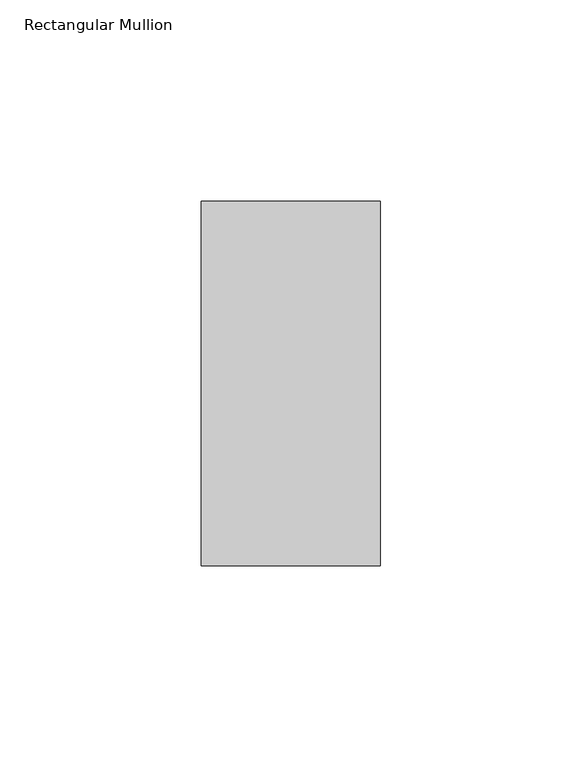
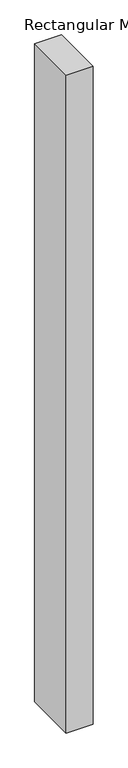
"""IFC4 building model written with IfcOpenShell, lengths in millimetres: member geometry, Rectangular Mullion."""

from ifc_helpers import new_model, si_unit, frame, origin, place, context, project, spatial, polyline, outline, extrude, source, transform, mapped, element, save


def rectangular_mullion_dcbcc8cf(model_context):
    return source(origin(), model_context, "Body", "SweptSolid", [
        extrude(outline(polyline([(23.7644308, 45.2274954), (23.7644308, -45.1980997), (-20.6742346, -45.1980997), (-20.6742346, 45.2274954), (23.7644308, 45.2274954)])), frame((0.0, 0.0, -1152.5289725), z_axis=(0.0, 0.0, 1.0), x_axis=(1.0, 0.0, 0.0)), (0.0, 0.0, 1.0), 1152.5289725),
    ])


if __name__ == "__main__":
    model = new_model("IFC4")
    model_context = context("Model", 3, world=origin())
    ifc_project = project(units=[si_unit("LENGTHUNIT", "METRE", prefix="MILLI")], contexts=[model_context])
    site = spatial("IfcSite", under=ifc_project)
    building = spatial("IfcBuilding", under=site)
    placement = place(None, origin())
    rectangular_mullion_shape = rectangular_mullion_dcbcc8cf(model_context)
    element("IfcMember", 1, ObjectType="Rectangular Mullion", at=placement, inside=building, context=model_context, shape_type="MappedRepresentation", body=[
        mapped(rectangular_mullion_shape, transform((0.0, 0.0, 0.0), x_axis=(1.0, 0.0, 0.0), y_axis=(0.0, 1.0, 0.0), z_axis=(0.0, 0.0, 1.0))),
    ])
    save(model, "model.ifc")
